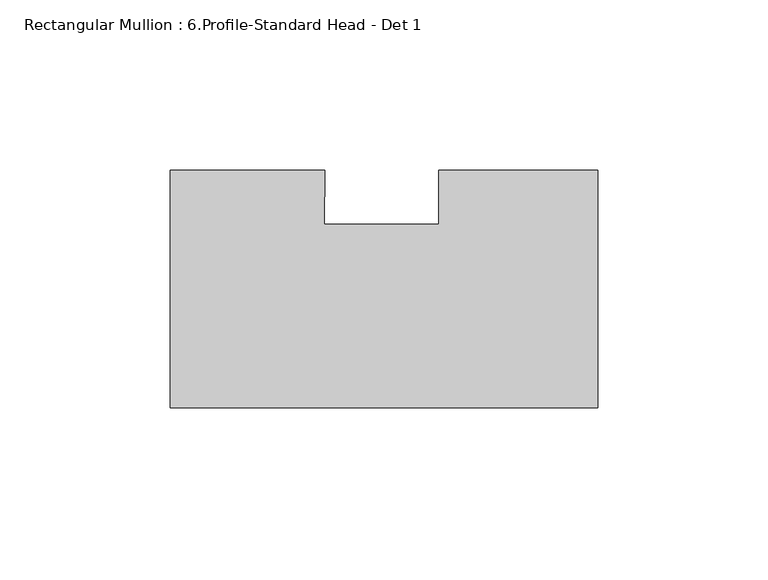
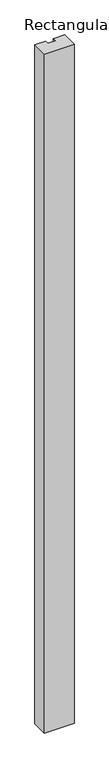
"""IFC4 building model written with IfcOpenShell, lengths in millimetres: member geometry, Rectangular Mullion : 6.Profile-Standard Head - Det 1."""

from ifc_helpers import new_model, si_unit, frame, origin, place, context, project, spatial, polyline, outline, extrude, source, transform, mapped, element, save


def rectangular_mullion_6_profile_standard_head_det_1_98c30777(model_context):
    return source(origin(), model_context, "Body", "SweptSolid", [
        extrude(outline(polyline([(0.0, -34.925), (-125.7808, -34.925), (-125.7808, 34.925), (-80.2810629, 34.925), (-80.4751121, 19.05), (-46.8497888, 19.05), (-46.8497888, 34.925), (0.0, 34.925), (0.0, -34.925)])), frame((0.0, 0.0, -3048.0), z_axis=(0.0, 0.0, 1.0), x_axis=(1.0, 0.0, 0.0)), (0.0, 0.0, 1.0), 3048.0),
    ])


if __name__ == "__main__":
    model = new_model("IFC4")
    model_context = context("Model", 3, world=origin())
    ifc_project = project(units=[si_unit("LENGTHUNIT", "METRE", prefix="MILLI")], contexts=[model_context])
    site = spatial("IfcSite", under=ifc_project)
    building = spatial("IfcBuilding", under=site)
    placement = place(None, origin())
    rectangular_mullion_6_profile_standard_head_det_1_shape = rectangular_mullion_6_profile_standard_head_det_1_98c30777(model_context)
    element("IfcMember", 1, ObjectType="Rectangular Mullion : 6.Profile-Standard Head - Det 1", at=placement, inside=building, context=model_context, shape_type="MappedRepresentation", body=[
        mapped(rectangular_mullion_6_profile_standard_head_det_1_shape, transform((0.0, 0.0, 0.0), x_axis=(1.0, 0.0, 0.0), y_axis=(0.0, 1.0, 0.0), z_axis=(0.0, 0.0, 1.0))),
    ])
    save(model, "model.ifc")
